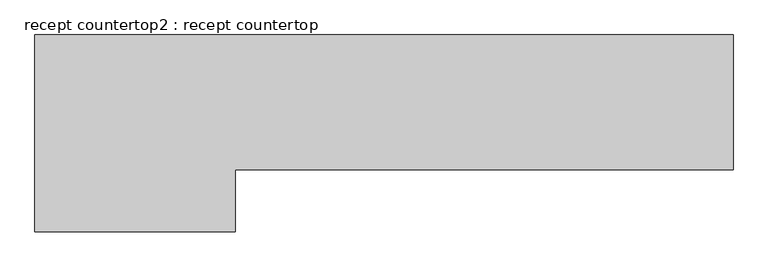
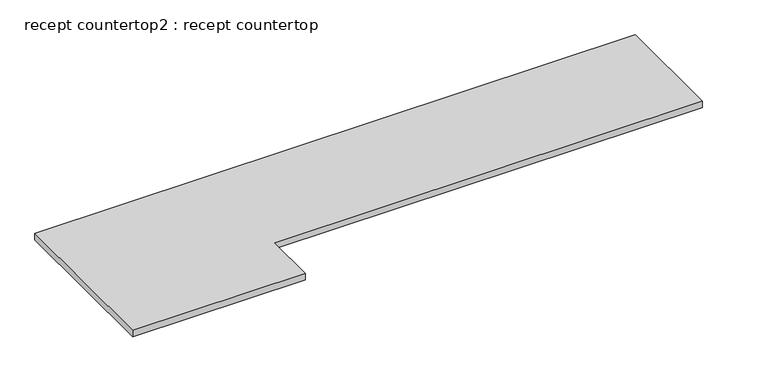
"""IFC4 building model written with IfcOpenShell, lengths in millimetres: furniture geometry, recept countertop2 : recept countertop."""

from ifc_helpers import new_model, si_unit, frame, origin, place, context, project, spatial, polyline, outline, extrude, source, transform, mapped, element, save


def recept_countertop2_recept_countertop_bed5ced1(model_context):
    return source(origin(), model_context, "Body", "SweptSolid", [
        extrude(outline(polyline([(34772.6, 1752.6), (32334.2, 1752.6), (32334.2, 1447.8), (31352.9895787, 1447.8), (31352.9895787, 2413.0), (34772.6, 2413.0), (34772.6, 1752.6)])), frame((0.0, 0.0, 723.9), z_axis=(0.0, 0.0, 1.0), x_axis=(1.0, 0.0, 0.0)), (0.0, 0.0, 1.0), 38.1),
    ])


if __name__ == "__main__":
    model = new_model("IFC4")
    model_context = context("Model", 3, world=origin())
    ifc_project = project(units=[si_unit("LENGTHUNIT", "METRE", prefix="MILLI")], contexts=[model_context])
    site = spatial("IfcSite", under=ifc_project)
    building = spatial("IfcBuilding", under=site)
    placement = place(None, origin())
    recept_countertop2_recept_countertop_shape = recept_countertop2_recept_countertop_bed5ced1(model_context)
    element("IfcFurniture", 1, ObjectType="recept countertop2 : recept countertop", at=placement, inside=building, context=model_context, shape_type="MappedRepresentation", body=[
        mapped(recept_countertop2_recept_countertop_shape, transform((0.0, 0.0, 0.0), x_axis=(1.0, 0.0, 0.0), y_axis=(0.0, 1.0, 0.0), z_axis=(0.0, 0.0, 1.0))),
    ])
    save(model, "model.ifc")
